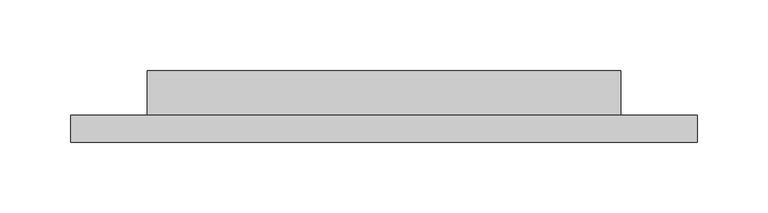
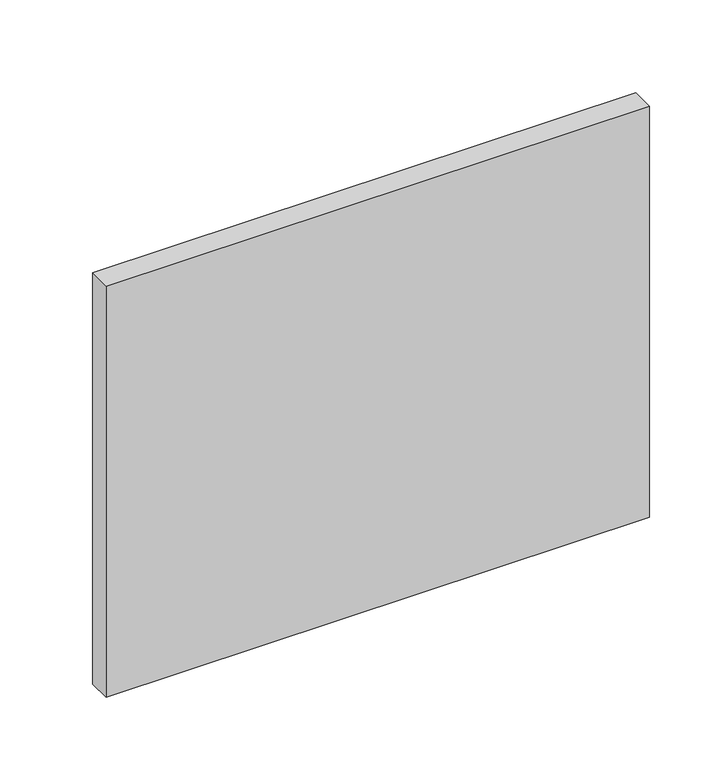
"""IFC4 building model written with IfcOpenShell, lengths in millimetres: proxy geometry."""

from ifc_helpers import new_model, si_unit, frame, origin, place, context, project, spatial, polyline, outline, extrude, source, transform, mapped, element, save


def specialty_equipment_5ad93c48(model_context):
    return source(origin(), model_context, "Body", "SweptSolid", [
        extrude(outline(polyline([(168.0120921, -13.7499557), (168.0120921, -45.4999557), (-168.0120921, -45.4999557), (-168.0120921, -13.7499557), (168.0120921, -13.7499557)])), frame((0.0, 0.0, 192.5683002), z_axis=(0.0, 0.0, 1.0), x_axis=(1.0, 0.0, 0.0)), (0.0, 0.0, 1.0), 227.3004533),
        extrude(outline(polyline([(222.25, -45.4999557), (222.25, -64.5499557), (-222.25, -64.5499557), (-222.25, -45.4999557), (222.25, -45.4999557)])), frame((0.0, 0.0, 127.0), z_axis=(0.0, 0.0, 1.0), x_axis=(1.0, 0.0, 0.0)), (0.0, 0.0, 1.0), 355.6),
    ])


if __name__ == "__main__":
    model = new_model("IFC4")
    model_context = context("Model", 3, world=origin())
    ifc_project = project(units=[si_unit("LENGTHUNIT", "METRE", prefix="MILLI")], contexts=[model_context])
    site = spatial("IfcSite", under=ifc_project)
    building = spatial("IfcBuilding", under=site)
    placement = place(None, origin())
    specialty_equipment_shape = specialty_equipment_5ad93c48(model_context)
    element("IfcBuildingElementProxy", 1, Name="Specialty Equipment", at=placement, inside=building, context=model_context, shape_type="MappedRepresentation", body=[
        mapped(specialty_equipment_shape, transform((0.0, 0.0, 0.0), x_axis=(1.0, 0.0, 0.0), y_axis=(0.0, 1.0, 0.0), z_axis=(0.0, 0.0, 1.0))),
    ])
    save(model, "model.ifc")
